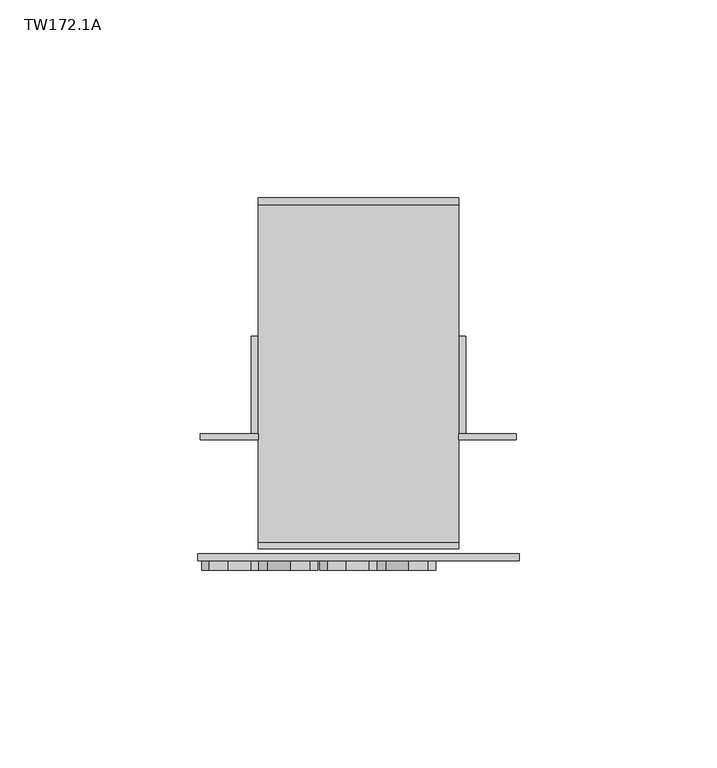
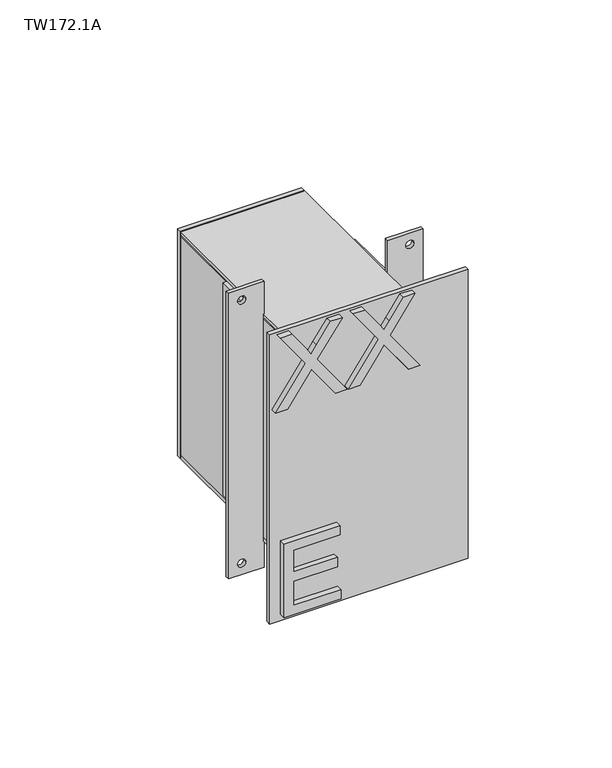
"""IFC4 building model written with IfcOpenShell, lengths in millimetres: furniture geometry, TW172.1A."""

from ifc_helpers import new_model, si_unit, point, frame, frame_2d, origin, place, context, project, spatial, polyline, circle_curve, trimmed, segment, composite_curve, outline, extrude, source, transform, mapped, element, save


def tw172_1a_8ff67909(model_context):
    return source(origin(), model_context, "Body", "SweptSolid", [
        extrude(outline(polyline([(1964.7699881, -17.4987383), (1964.7699881, 5.924063), (1968.7568479, 5.924063), (1968.7568479, -13.5118785), (1979.2223549, -13.5118785), (1979.2223549, 4.4289906), (1983.2092147, 4.4289906), (1983.2092147, -13.5118785), (1992.6780068, -13.5118785), (1992.6780068, 5.4257056), (1996.6648666, 5.4257056), (1996.6648666, -17.4987383), (1964.7699881, -17.4987383)])), frame((0.0, -30.559375, 0.0), z_axis=(0.0, 1.0, 0.0), x_axis=(0.0, 0.0, 1.0)), (0.0, 0.0, 1.0), 2.38125),
        extrude(outline(polyline([(2054.7323439, -20.9872407), (2054.7323439, -16.1360421), (2066.0544028, -8.138962), (2068.6863533, -6.2623346), (2066.2880079, -4.5570176), (2054.7323439, 3.6347334), (2054.7323439, 8.4158504), (2072.0658399, -3.8795629), (2086.6272224, 6.4224205), (2086.6272224, 1.571222), (2078.5133398, -4.1676759), (2075.2740162, -6.4570055), (2078.4588319, -8.4115012), (2086.6272224, -14.2126937), (2086.6272224, -18.9938108), (2072.1125609, -8.6918273), (2054.7323439, -20.9872407)])), frame((0.0, -30.559375, 0.0), z_axis=(0.0, 1.0, 0.0), x_axis=(0.0, 0.0, 1.0)), (0.0, 0.0, 1.0), 2.38125),
        extrude(outline(polyline([(2054.7323439, 8.9142079), (2054.7323439, 13.7654064), (2066.0544028, 21.7624866), (2068.6863533, 23.6391139), (2066.2880079, 25.3444309), (2054.7323439, 33.5361819), (2054.7323439, 38.317299), (2072.0658399, 26.0218856), (2086.6272224, 36.3238691), (2086.6272224, 31.4726705), (2078.5133398, 25.7337727), (2075.2740162, 23.4444431), (2078.4588319, 21.4899473), (2086.6272224, 15.6887548), (2086.6272224, 10.9076378), (2072.1125609, 21.2096212), (2054.7323439, 8.9142079)])), frame((0.0, -30.559375, 0.0), z_axis=(0.0, 1.0, 0.0), x_axis=(0.0, 0.0, 1.0)), (0.0, 0.0, 1.0), 2.38125),
        extrude(outline(polyline([(44.1377049, -25.1023438), (-6.6622951, -25.1023438), (-6.6622951, -23.5148437), (44.1377049, -23.5148437), (44.1377049, -25.1023438)])), frame((0.0, 0.0, 2059.7299641), z_axis=(0.0, 0.0, 1.0), x_axis=(1.0, 0.0, 0.0)), (0.0, 0.0, 1.0), 12.7),
        extrude(outline(polyline([(44.1377049, -25.1023438), (-6.6622951, -25.1023438), (-6.6622951, -23.5148437), (44.1377049, -23.5148437), (44.1377049, -25.1023438)])), frame((0.0, 0.0, 1974.0049641), z_axis=(0.0, 0.0, 1.0), x_axis=(1.0, 0.0, 0.0)), (0.0, 0.0, 1.0), 12.7),
        extrude(outline(polyline([(44.1377049, 63.7976562), (44.1377049, 62.0117187), (-6.6622951, 62.0117187), (-6.6622951, 63.7976562), (44.1377049, 63.7976562)])), frame((0.0, 0.0, 1974.0049641), z_axis=(0.0, 0.0, 1.0), x_axis=(1.0, 0.0, 0.0)), (0.0, 0.0, 1.0), 98.425),
        extrude(outline(polyline([(-4.8763576, -23.5148437), (-6.6622951, -23.5148437), (-6.6622951, 62.0117188), (-4.8763576, 62.0117187), (-4.8763576, -23.5148437)])), frame((0.0, 0.0, 1975.7909016), z_axis=(0.0, 0.0, 1.0), x_axis=(1.0, 0.0, 0.0)), (0.0, 0.0, 1.0), 94.853125),
        extrude(outline(polyline([(44.1377049, -23.5148437), (42.3517674, -23.5148437), (42.3517674, 62.0117187), (44.1377049, 62.0117187), (44.1377049, -23.5148437)])), frame((0.0, 0.0, 1975.7909016), z_axis=(0.0, 0.0, 1.0), x_axis=(1.0, 0.0, 0.0)), (0.0, 0.0, 1.0), 94.853125),
        extrude(outline(polyline([(44.1377049, -23.5148437), (-6.6622951, -23.5148437), (-6.6622951, 62.0117188), (44.1377049, 62.0117187), (44.1377049, -23.5148437)])), frame((0.0, 0.0, 2070.6440266), z_axis=(0.0, 0.0, 1.0), x_axis=(1.0, 0.0, 0.0)), (0.0, 0.0, 1.0), 1.7859375),
        extrude(outline(polyline([(44.1377049, -23.5148437), (-6.6622951, -23.5148437), (-6.6622951, 62.0117188), (44.1377049, 62.0117187), (44.1377049, -23.5148437)])), frame((0.0, 0.0, 1974.0049641), z_axis=(0.0, 0.0, 1.0), x_axis=(1.0, 0.0, 0.0)), (0.0, 0.0, 1.0), 1.7859375),
        extrude(outline(polyline([(-6.6622951, 28.6742188), (-6.6622951, 4.0679688), (-8.4482326, 4.0679688), (-8.4482326, 28.6742188), (-6.6622951, 28.6742188)])), frame((0.0, 0.0, 1978.7674641), z_axis=(0.0, 0.0, 1.0), x_axis=(1.0, 0.0, 0.0)), (0.0, 0.0, 1.0), 92.1742187),
        extrude(outline(polyline([(45.9236424, 28.6742188), (45.9236424, 4.0679688), (44.1377049, 4.0679688), (44.1377049, 28.6742188), (45.9236424, 28.6742188)])), frame((0.0, 0.0, 1978.7674641), z_axis=(0.0, 0.0, 1.0), x_axis=(1.0, 0.0, 0.0)), (0.0, 0.0, 1.0), 92.1742187),
        extrude(outline(polyline([(2086.8166828, -6.6622951), (2086.8166828, -21.2474513), (1962.8924641, -21.2474513), (1962.8924641, -6.6622951), (2086.8166828, -6.6622951)]), holes=[composite_curve([segment(trimmed(circle_curve(frame_2d((2081.9549641, -15.7904201)), 1.6867188), [point((2081.9549641, -17.4771388))], [point((2081.9549641, -14.1037013))], True, "CARTESIAN"), True, "CONTINUOUS"), segment(trimmed(circle_curve(frame_2d((2081.9549641, -15.7904201)), 1.6867188), [point((2081.9549641, -14.1037013))], [point((2081.9549641, -17.4771388))], True, "CARTESIAN"), True, "CONTINUOUS")], self_intersect=False), composite_curve([segment(trimmed(circle_curve(frame_2d((1967.7541828, -15.7904201)), 1.6867188), [point((1967.7541828, -17.4771388))], [point((1967.7541828, -14.1037013))], True, "CARTESIAN"), True, "CONTINUOUS"), segment(trimmed(circle_curve(frame_2d((1967.7541828, -15.7904201)), 1.6867188), [point((1967.7541828, -14.1037013))], [point((1967.7541828, -17.4771388))], True, "CARTESIAN"), True, "CONTINUOUS")], self_intersect=False)]), frame((0.0, 2.4804688, 0.0), z_axis=(0.0, 1.0, 0.0), x_axis=(0.0, 0.0, 1.0)), (0.0, 0.0, 1.0), 1.5875),
        extrude(outline(polyline([(2086.8166828, 58.7228612), (2086.8166828, 44.1377049), (1962.8924641, 44.1377049), (1962.8924641, 58.7228612), (2086.8166828, 58.7228612)]), holes=[composite_curve([segment(trimmed(circle_curve(frame_2d((2081.9549641, 53.2658299)), 1.6867188), [point((2081.9549641, 51.5791112))], [point((2081.9549641, 54.9525487))], True, "CARTESIAN"), True, "CONTINUOUS"), segment(trimmed(circle_curve(frame_2d((2081.9549641, 53.2658299)), 1.6867188), [point((2081.9549641, 54.9525487))], [point((2081.9549641, 51.5791112))], True, "CARTESIAN"), True, "CONTINUOUS")], self_intersect=False), composite_curve([segment(trimmed(circle_curve(frame_2d((1967.7541828, 53.2658299)), 1.6867188), [point((1967.7541828, 51.5791112))], [point((1967.7541828, 54.9525487))], True, "CARTESIAN"), True, "CONTINUOUS"), segment(trimmed(circle_curve(frame_2d((1967.7541828, 53.2658299)), 1.6867188), [point((1967.7541828, 54.9525487))], [point((1967.7541828, 51.5791112))], True, "CARTESIAN"), True, "CONTINUOUS")], self_intersect=False)]), frame((0.0, 2.4804688, 0.0), z_axis=(0.0, 1.0, 0.0), x_axis=(0.0, 0.0, 1.0)), (0.0, 0.0, 1.0), 1.5875),
        extrude(outline(polyline([(59.4670018, -28.178125), (-21.991592, -28.178125), (-21.991592, -26.2929687), (59.4670018, -26.2929687), (59.4670018, -28.178125)])), frame((0.0, 0.0, 1962.0987141), z_axis=(0.0, 0.0, 1.0), x_axis=(1.0, 0.0, 0.0)), (0.0, 0.0, 1.0), 125.5117188),
    ])


if __name__ == "__main__":
    model = new_model("IFC4")
    model_context = context("Model", 3, world=origin())
    ifc_project = project(units=[si_unit("LENGTHUNIT", "METRE", prefix="MILLI")], contexts=[model_context])
    site = spatial("IfcSite", under=ifc_project)
    building = spatial("IfcBuilding", under=site)
    placement = place(None, origin())
    tw172_1a_shape = tw172_1a_8ff67909(model_context)
    element("IfcFurniture", 1, ObjectType="TW172.1A", at=placement, inside=building, context=model_context, shape_type="MappedRepresentation", body=[
        mapped(tw172_1a_shape, transform((0.0, 0.0, 0.0), x_axis=(1.0, 0.0, 0.0), y_axis=(0.0, 1.0, 0.0), z_axis=(0.0, 0.0, 1.0))),
    ])
    save(model, "model.ifc")
